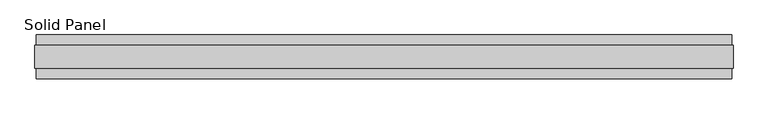
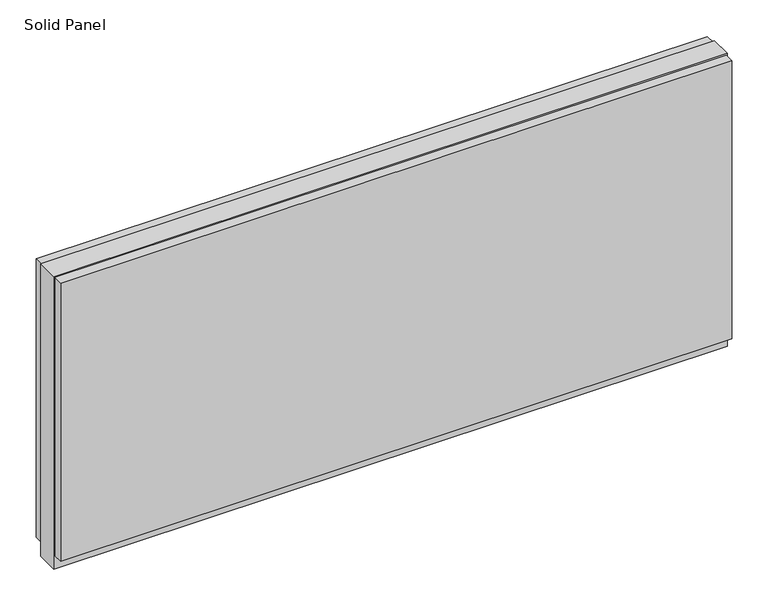
"""IFC4 building model written with IfcOpenShell, lengths in millimetres: plate geometry, Solid Panel."""

from ifc_helpers import new_model, si_unit, frame, origin, origin_with_axes, place, context, project, spatial, polyline, outline, extrude, source, transform, mapped, element, save


def solid_panel_bcc8f67b(model_context):
    return source(origin(), model_context, "Body", "SweptSolid", [
        extrude(outline(polyline([(771.7028, -48.4531867), (-771.7028, -48.4531867), (-771.7028, -25.9961), (771.7028, -25.9961), (771.7028, -48.4531867)])), frame((0.0, 0.0, 32.004), z_axis=(0.0, 0.0, 1.0), x_axis=(1.0, 0.0, 0.0)), (0.0, 0.0, 1.0), 676.1861),
        extrude(outline(polyline([(771.7028, 25.9977), (-771.7028, 25.9977), (-771.7028, 48.4547867), (771.7028, 48.4547867), (771.7028, 25.9977)])), frame((0.0, 0.0, 32.004), z_axis=(0.0, 0.0, 1.0), x_axis=(1.0, 0.0, 0.0)), (0.0, 0.0, 1.0), 676.1861),
        extrude(outline(polyline([(774.7, -25.9961), (-774.7, -25.9961), (-774.7, 25.9977), (774.7, 25.9977), (774.7, -25.9961)])), origin_with_axes(), (0.0, 0.0, 1.0), 711.2),
    ])


if __name__ == "__main__":
    model = new_model("IFC4")
    model_context = context("Model", 3, world=origin())
    ifc_project = project(units=[si_unit("LENGTHUNIT", "METRE", prefix="MILLI")], contexts=[model_context])
    site = spatial("IfcSite", under=ifc_project)
    building = spatial("IfcBuilding", under=site)
    placement = place(None, origin())
    solid_panel_shape = solid_panel_bcc8f67b(model_context)
    element("IfcPlate", 1, ObjectType="Solid Panel", at=placement, inside=building, context=model_context, shape_type="MappedRepresentation", body=[
        mapped(solid_panel_shape, transform((0.0, 0.0, 0.0), x_axis=(1.0, 0.0, 0.0), y_axis=(0.0, 1.0, 0.0), z_axis=(0.0, 0.0, 1.0))),
    ])
    save(model, "model.ifc")
